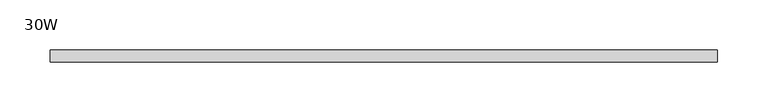
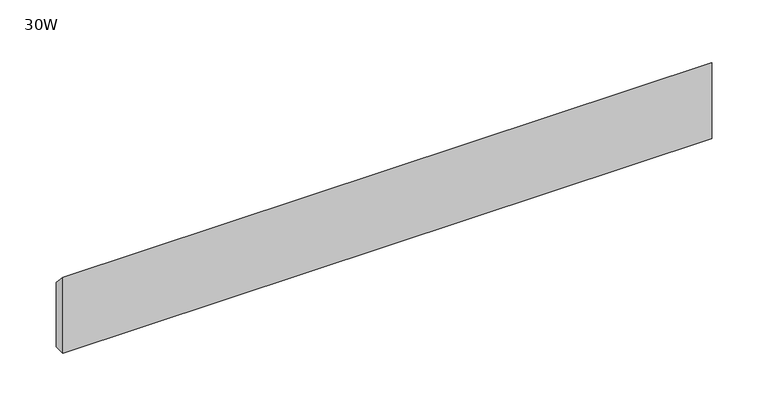
"""IFC4 building model written with IfcOpenShell, lengths in millimetres: furniture geometry, 30W."""

from ifc_helpers import new_model, si_unit, frame, origin, place, context, project, spatial, polyline, outline, extrude, source, transform, mapped, element, save


def furniture_30w_adcc3851(model_context):
    return source(origin(), model_context, "Body", "SweptSolid", [
        extrude(outline(polyline([(-11.938, 677.7482), (-11.938, 760.2982), (0.0, 747.5982), (0.0, 677.7482), (-11.938, 677.7482)])), frame((48.006, 0.0, 0.0), z_axis=(1.0, 0.0, 0.0), x_axis=(0.0, 1.0, 0.0)), (0.0, 0.0, 1.0), 665.988),
    ])


if __name__ == "__main__":
    model = new_model("IFC4")
    model_context = context("Model", 3, world=origin())
    ifc_project = project(units=[si_unit("LENGTHUNIT", "METRE", prefix="MILLI")], contexts=[model_context])
    site = spatial("IfcSite", under=ifc_project)
    building = spatial("IfcBuilding", under=site)
    placement = place(None, origin())
    furniture_30w_shape = furniture_30w_adcc3851(model_context)
    element("IfcFurniture", 1, ObjectType="30W", at=placement, inside=building, context=model_context, shape_type="MappedRepresentation", body=[
        mapped(furniture_30w_shape, transform((0.0, 0.0, 0.0), x_axis=(1.0, 0.0, 0.0), y_axis=(0.0, 1.0, 0.0), z_axis=(0.0, 0.0, 1.0))),
    ])
    save(model, "model.ifc")
